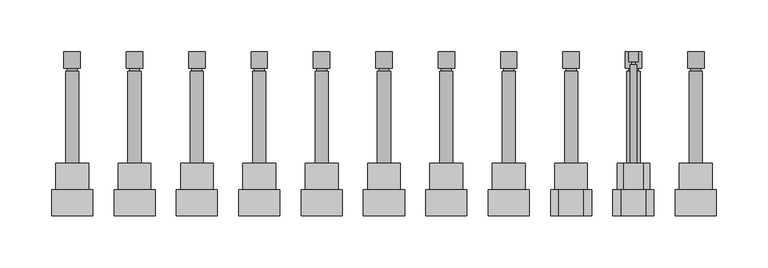
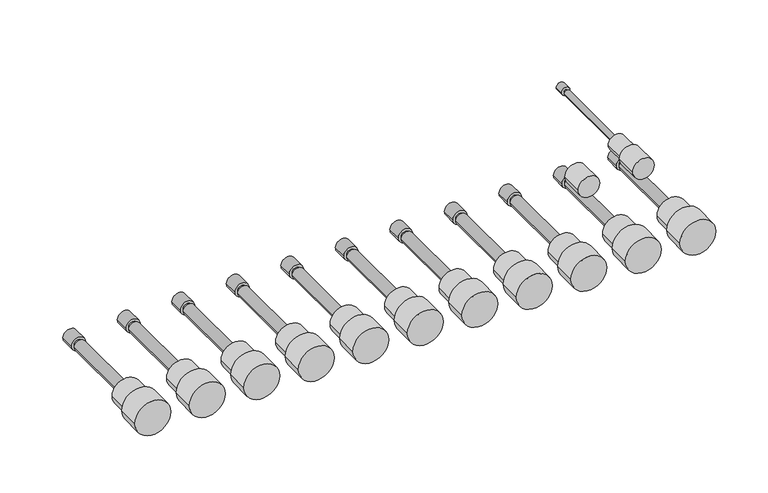
"""IFC4 building model written with IfcOpenShell, lengths in millimetres: proxy geometry."""

from ifc_helpers import new_model, si_unit, point, frame, frame_2d, origin, place, context, project, spatial, circle_curve, trimmed, segment, composite_curve, outline, extrude, source, transform, mapped, element, save
from ifc_brep_helpers import plane_surface, cylinder_surface, advanced_brep


def mechanical_equipment_c7dd7a12(model_context):
    return source(origin(), model_context, "Body", "SolidModel", [
        extrude(outline(composite_curve([segment(trimmed(circle_curve(frame_2d((120.65, 381.79375)), 19.84375), [point((120.65, 401.6375))], [point((120.65, 361.95))], False, "CARTESIAN"), True, "CONTINUOUS"), segment(trimmed(circle_curve(frame_2d((120.65, 381.79375)), 19.84375), [point((120.65, 361.95))], [point((120.65, 401.6375))], False, "CARTESIAN"), True, "CONTINUOUS")], self_intersect=False)), frame((0.0, 240.50625, 0.0), z_axis=(0.0, 1.0, 0.0), x_axis=(0.0, 0.0, 1.0)), (0.0, 0.0, 1.0), 25.4),
        advanced_brep(
        [(373.85625, 399.25625, 120.65), (389.73125, 399.25625, 120.65), (386.55625, 380.20625, 120.65), (377.03125, 380.20625, 120.65), (373.85625, 383.38125, 120.65), (389.73125, 383.38125, 120.65), (386.55625, 383.38125, 120.65), (377.03125, 383.38125, 120.65)],
        [
            (0, 1, circle_curve(frame((381.79375, 399.25625, 120.65), z_axis=(0.0, 1.0, 0.0), x_axis=(1.0, 0.0, 0.0)), 7.9375)),
            (1, 0, circle_curve(frame((381.79375, 399.25625, 120.65), z_axis=(0.0, 1.0, 0.0), x_axis=(1.0, 0.0, 0.0)), 7.9375)),
            (2, 3, circle_curve(frame((381.79375, 380.20625, 120.65), z_axis=(0.0, -1.0, 0.0), x_axis=(-1.0, 0.0, 0.0)), 4.7625)),
            (3, 2, circle_curve(frame((381.79375, 380.20625, 120.65), z_axis=(0.0, -1.0, 0.0), x_axis=(-1.0, 0.0, 0.0)), 4.7625)),
            (0, 4),
            (4, 5, circle_curve(frame((381.79375, 383.38125, 120.65), z_axis=(0.0, 1.0, 0.0), x_axis=(1.0, 0.0, 0.0)), 7.9375)),
            (5, 1),
            (5, 4, circle_curve(frame((381.79375, 383.38125, 120.65), z_axis=(0.0, 1.0, 0.0), x_axis=(1.0, 0.0, 0.0)), 7.9375)),
            (6, 7, circle_curve(frame((381.79375, 383.38125, 120.65), z_axis=(0.0, 1.0, 0.0), x_axis=(-1.0, 0.0, 0.0)), 4.7625)),
            (7, 6, circle_curve(frame((381.79375, 383.38125, 120.65), z_axis=(0.0, 1.0, 0.0), x_axis=(-1.0, 0.0, 0.0)), 4.7625)),
            (7, 3),
            (2, 6),
        ],
        [
            plane_surface(frame((381.79375, 399.25625, 120.65), z_axis=(0.0, 1.0, 0.0), x_axis=(0.0, 0.0, 1.0))),
            plane_surface(frame((381.79375, 380.20625, 120.65), z_axis=(0.0, -1.0, 0.0), x_axis=(0.0, 0.0, 1.0))),
            cylinder_surface(frame((381.79375, 399.25625, 120.65), z_axis=(0.0, 1.0, 0.0), x_axis=(1.0, 0.0, 0.0)), 7.9375),
            plane_surface(frame((381.79375, 383.38125, 120.65), z_axis=(0.0, -1.0, 0.0), x_axis=(0.0, 0.0, 1.0))),
            cylinder_surface(frame((381.79375, 380.20625, 120.65), z_axis=(0.0, 1.0, 0.0), x_axis=(-1.0, 0.0, 0.0)), 4.7625),
        ],
        [
            (0, [[1, 2]]),
            (1, [[3, 4]]),
            (2, [[-1, 5, 6, 7]]),
            (2, [[-2, -7, 8, -5]]),
            (3, [[-6, -8], [9, 10]]),
            (4, [[-10, 11, -3, 12]]),
            (4, [[-9, -12, -4, -11]]),
        ],
    ),
        extrude(outline(composite_curve([segment(trimmed(circle_curve(frame_2d((120.65, 381.79375)), 6.35), [point((120.65, 375.44375))], [point((120.65, 388.14375))], False, "CARTESIAN"), True, "CONTINUOUS"), segment(trimmed(circle_curve(frame_2d((120.65, 381.79375)), 6.35), [point((120.65, 388.14375))], [point((120.65, 375.44375))], False, "CARTESIAN"), True, "CONTINUOUS")], self_intersect=False)), frame((0.0, 291.30625, 0.0), z_axis=(0.0, 1.0, 0.0), x_axis=(0.0, 0.0, 1.0)), (0.0, 0.0, 1.0), 88.9),
        extrude(outline(composite_curve([segment(trimmed(circle_curve(frame_2d((120.65, 381.79375)), 15.875), [point((120.65, 397.66875))], [point((120.65, 365.91875))], False, "CARTESIAN"), True, "CONTINUOUS"), segment(trimmed(circle_curve(frame_2d((120.65, 381.79375)), 15.875), [point((120.65, 365.91875))], [point((120.65, 397.66875))], False, "CARTESIAN"), True, "CONTINUOUS")], self_intersect=False)), frame((0.0, 265.90625, 0.0), z_axis=(0.0, 1.0, 0.0), x_axis=(0.0, 0.0, 1.0)), (0.0, 0.0, 1.0), 25.4),
        extrude(outline(composite_curve([segment(trimmed(circle_curve(frame_2d((120.65, 321.46875)), 19.84375), [point((120.65, 341.3125))], [point((120.65, 301.625))], False, "CARTESIAN"), True, "CONTINUOUS"), segment(trimmed(circle_curve(frame_2d((120.65, 321.46875)), 19.84375), [point((120.65, 301.625))], [point((120.65, 341.3125))], False, "CARTESIAN"), True, "CONTINUOUS")], self_intersect=False)), frame((0.0, 240.50625, 0.0), z_axis=(0.0, 1.0, 0.0), x_axis=(0.0, 0.0, 1.0)), (0.0, 0.0, 1.0), 25.4),
        advanced_brep(
        [(313.53125, 399.25625, 120.65), (329.40625, 399.25625, 120.65), (326.23125, 380.20625, 120.65), (316.70625, 380.20625, 120.65), (313.53125, 383.38125, 120.65), (329.40625, 383.38125, 120.65), (326.23125, 383.38125, 120.65), (316.70625, 383.38125, 120.65)],
        [
            (0, 1, circle_curve(frame((321.46875, 399.25625, 120.65), z_axis=(0.0, 1.0, 0.0), x_axis=(1.0, 0.0, 0.0)), 7.9375)),
            (1, 0, circle_curve(frame((321.46875, 399.25625, 120.65), z_axis=(0.0, 1.0, 0.0), x_axis=(1.0, 0.0, 0.0)), 7.9375)),
            (2, 3, circle_curve(frame((321.46875, 380.20625, 120.65), z_axis=(0.0, -1.0, 0.0), x_axis=(-1.0, 0.0, 0.0)), 4.7625)),
            (3, 2, circle_curve(frame((321.46875, 380.20625, 120.65), z_axis=(0.0, -1.0, 0.0), x_axis=(-1.0, 0.0, 0.0)), 4.7625)),
            (0, 4),
            (4, 5, circle_curve(frame((321.46875, 383.38125, 120.65), z_axis=(0.0, 1.0, 0.0), x_axis=(1.0, 0.0, 0.0)), 7.9375)),
            (5, 1),
            (5, 4, circle_curve(frame((321.46875, 383.38125, 120.65), z_axis=(0.0, 1.0, 0.0), x_axis=(1.0, 0.0, 0.0)), 7.9375)),
            (6, 7, circle_curve(frame((321.46875, 383.38125, 120.65), z_axis=(0.0, 1.0, 0.0), x_axis=(-1.0, 0.0, 0.0)), 4.7625)),
            (7, 6, circle_curve(frame((321.46875, 383.38125, 120.65), z_axis=(0.0, 1.0, 0.0), x_axis=(-1.0, 0.0, 0.0)), 4.7625)),
            (7, 3),
            (2, 6),
        ],
        [
            plane_surface(frame((321.46875, 399.25625, 120.65), z_axis=(0.0, 1.0, 0.0), x_axis=(0.0, 0.0, 1.0))),
            plane_surface(frame((321.46875, 380.20625, 120.65), z_axis=(0.0, -1.0, 0.0), x_axis=(0.0, 0.0, 1.0))),
            cylinder_surface(frame((321.46875, 399.25625, 120.65), z_axis=(0.0, 1.0, 0.0), x_axis=(1.0, 0.0, 0.0)), 7.9375),
            plane_surface(frame((321.46875, 383.38125, 120.65), z_axis=(0.0, -1.0, 0.0), x_axis=(0.0, 0.0, 1.0))),
            cylinder_surface(frame((321.46875, 380.20625, 120.65), z_axis=(0.0, 1.0, 0.0), x_axis=(-1.0, 0.0, 0.0)), 4.7625),
        ],
        [
            (0, [[1, 2]]),
            (1, [[3, 4]]),
            (2, [[-1, 5, 6, 7]]),
            (2, [[-2, -7, 8, -5]]),
            (3, [[-6, -8], [9, 10]]),
            (4, [[-10, 11, -3, 12]]),
            (4, [[-9, -12, -4, -11]]),
        ],
    ),
        extrude(outline(composite_curve([segment(trimmed(circle_curve(frame_2d((120.65, 321.46875)), 6.35), [point((120.65, 315.11875))], [point((120.65, 327.81875))], False, "CARTESIAN"), True, "CONTINUOUS"), segment(trimmed(circle_curve(frame_2d((120.65, 321.46875)), 6.35), [point((120.65, 327.81875))], [point((120.65, 315.11875))], False, "CARTESIAN"), True, "CONTINUOUS")], self_intersect=False)), frame((0.0, 291.30625, 0.0), z_axis=(0.0, 1.0, 0.0), x_axis=(0.0, 0.0, 1.0)), (0.0, 0.0, 1.0), 88.9),
        extrude(outline(composite_curve([segment(trimmed(circle_curve(frame_2d((120.65, 321.46875)), 15.875), [point((120.65, 337.34375))], [point((120.65, 305.59375))], False, "CARTESIAN"), True, "CONTINUOUS"), segment(trimmed(circle_curve(frame_2d((120.65, 321.46875)), 15.875), [point((120.65, 305.59375))], [point((120.65, 337.34375))], False, "CARTESIAN"), True, "CONTINUOUS")], self_intersect=False)), frame((0.0, 265.90625, 0.0), z_axis=(0.0, 1.0, 0.0), x_axis=(0.0, 0.0, 1.0)), (0.0, 0.0, 1.0), 25.4),
        extrude(outline(composite_curve([segment(trimmed(circle_curve(frame_2d((120.65, 261.14375)), 19.84375), [point((120.65, 280.9875))], [point((120.65, 241.3))], False, "CARTESIAN"), True, "CONTINUOUS"), segment(trimmed(circle_curve(frame_2d((120.65, 261.14375)), 19.84375), [point((120.65, 241.3))], [point((120.65, 280.9875))], False, "CARTESIAN"), True, "CONTINUOUS")], self_intersect=False)), frame((0.0, 240.50625, 0.0), z_axis=(0.0, 1.0, 0.0), x_axis=(0.0, 0.0, 1.0)), (0.0, 0.0, 1.0), 25.4),
        advanced_brep(
        [(253.20625, 399.25625, 120.65), (269.08125, 399.25625, 120.65), (265.90625, 380.20625, 120.65), (256.38125, 380.20625, 120.65), (253.20625, 383.38125, 120.65), (269.08125, 383.38125, 120.65), (265.90625, 383.38125, 120.65), (256.38125, 383.38125, 120.65)],
        [
            (0, 1, circle_curve(frame((261.14375, 399.25625, 120.65), z_axis=(0.0, 1.0, 0.0), x_axis=(1.0, 0.0, 0.0)), 7.9375)),
            (1, 0, circle_curve(frame((261.14375, 399.25625, 120.65), z_axis=(0.0, 1.0, 0.0), x_axis=(1.0, 0.0, 0.0)), 7.9375)),
            (2, 3, circle_curve(frame((261.14375, 380.20625, 120.65), z_axis=(0.0, -1.0, 0.0), x_axis=(-1.0, 0.0, 0.0)), 4.7625)),
            (3, 2, circle_curve(frame((261.14375, 380.20625, 120.65), z_axis=(0.0, -1.0, 0.0), x_axis=(-1.0, 0.0, 0.0)), 4.7625)),
            (0, 4),
            (4, 5, circle_curve(frame((261.14375, 383.38125, 120.65), z_axis=(0.0, 1.0, 0.0), x_axis=(1.0, 0.0, 0.0)), 7.9375)),
            (5, 1),
            (5, 4, circle_curve(frame((261.14375, 383.38125, 120.65), z_axis=(0.0, 1.0, 0.0), x_axis=(1.0, 0.0, 0.0)), 7.9375)),
            (6, 7, circle_curve(frame((261.14375, 383.38125, 120.65), z_axis=(0.0, 1.0, 0.0), x_axis=(-1.0, 0.0, 0.0)), 4.7625)),
            (7, 6, circle_curve(frame((261.14375, 383.38125, 120.65), z_axis=(0.0, 1.0, 0.0), x_axis=(-1.0, 0.0, 0.0)), 4.7625)),
            (7, 3),
            (2, 6),
        ],
        [
            plane_surface(frame((261.14375, 399.25625, 120.65), z_axis=(0.0, 1.0, 0.0), x_axis=(0.0, 0.0, 1.0))),
            plane_surface(frame((261.14375, 380.20625, 120.65), z_axis=(0.0, -1.0, 0.0), x_axis=(0.0, 0.0, 1.0))),
            cylinder_surface(frame((261.14375, 399.25625, 120.65), z_axis=(0.0, 1.0, 0.0), x_axis=(1.0, 0.0, 0.0)), 7.9375),
            plane_surface(frame((261.14375, 383.38125, 120.65), z_axis=(0.0, -1.0, 0.0), x_axis=(0.0, 0.0, 1.0))),
            cylinder_surface(frame((261.14375, 380.20625, 120.65), z_axis=(0.0, 1.0, 0.0), x_axis=(-1.0, 0.0, 0.0)), 4.7625),
        ],
        [
            (0, [[1, 2]]),
            (1, [[3, 4]]),
            (2, [[-1, 5, 6, 7]]),
            (2, [[-2, -7, 8, -5]]),
            (3, [[-6, -8], [9, 10]]),
            (4, [[-10, 11, -3, 12]]),
            (4, [[-9, -12, -4, -11]]),
        ],
    ),
        extrude(outline(composite_curve([segment(trimmed(circle_curve(frame_2d((120.65, 261.14375)), 6.35), [point((120.65, 254.79375))], [point((120.65, 267.49375))], False, "CARTESIAN"), True, "CONTINUOUS"), segment(trimmed(circle_curve(frame_2d((120.65, 261.14375)), 6.35), [point((120.65, 267.49375))], [point((120.65, 254.79375))], False, "CARTESIAN"), True, "CONTINUOUS")], self_intersect=False)), frame((0.0, 291.30625, 0.0), z_axis=(0.0, 1.0, 0.0), x_axis=(0.0, 0.0, 1.0)), (0.0, 0.0, 1.0), 88.9),
        extrude(outline(composite_curve([segment(trimmed(circle_curve(frame_2d((120.65, 261.14375)), 15.875), [point((120.65, 277.01875))], [point((120.65, 245.26875))], False, "CARTESIAN"), True, "CONTINUOUS"), segment(trimmed(circle_curve(frame_2d((120.65, 261.14375)), 15.875), [point((120.65, 245.26875))], [point((120.65, 277.01875))], False, "CARTESIAN"), True, "CONTINUOUS")], self_intersect=False)), frame((0.0, 265.90625, 0.0), z_axis=(0.0, 1.0, 0.0), x_axis=(0.0, 0.0, 1.0)), (0.0, 0.0, 1.0), 25.4),
        extrude(outline(composite_curve([segment(trimmed(circle_curve(frame_2d((120.65, 200.81875)), 19.84375), [point((120.65, 220.6625))], [point((120.65, 180.975))], False, "CARTESIAN"), True, "CONTINUOUS"), segment(trimmed(circle_curve(frame_2d((120.65, 200.81875)), 19.84375), [point((120.65, 180.975))], [point((120.65, 220.6625))], False, "CARTESIAN"), True, "CONTINUOUS")], self_intersect=False)), frame((0.0, 240.50625, 0.0), z_axis=(0.0, 1.0, 0.0), x_axis=(0.0, 0.0, 1.0)), (0.0, 0.0, 1.0), 25.4),
        advanced_brep(
        [(192.88125, 399.25625, 120.65), (208.75625, 399.25625, 120.65), (205.58125, 380.20625, 120.65), (196.05625, 380.20625, 120.65), (192.88125, 383.38125, 120.65), (208.75625, 383.38125, 120.65), (205.58125, 383.38125, 120.65), (196.05625, 383.38125, 120.65)],
        [
            (0, 1, circle_curve(frame((200.81875, 399.25625, 120.65), z_axis=(0.0, 1.0, 0.0), x_axis=(1.0, 0.0, 0.0)), 7.9375)),
            (1, 0, circle_curve(frame((200.81875, 399.25625, 120.65), z_axis=(0.0, 1.0, 0.0), x_axis=(1.0, 0.0, 0.0)), 7.9375)),
            (2, 3, circle_curve(frame((200.81875, 380.20625, 120.65), z_axis=(0.0, -1.0, 0.0), x_axis=(-1.0, 0.0, 0.0)), 4.7625)),
            (3, 2, circle_curve(frame((200.81875, 380.20625, 120.65), z_axis=(0.0, -1.0, 0.0), x_axis=(-1.0, 0.0, 0.0)), 4.7625)),
            (0, 4),
            (4, 5, circle_curve(frame((200.81875, 383.38125, 120.65), z_axis=(0.0, 1.0, 0.0), x_axis=(1.0, 0.0, 0.0)), 7.9375)),
            (5, 1),
            (5, 4, circle_curve(frame((200.81875, 383.38125, 120.65), z_axis=(0.0, 1.0, 0.0), x_axis=(1.0, 0.0, 0.0)), 7.9375)),
            (6, 7, circle_curve(frame((200.81875, 383.38125, 120.65), z_axis=(0.0, 1.0, 0.0), x_axis=(-1.0, 0.0, 0.0)), 4.7625)),
            (7, 6, circle_curve(frame((200.81875, 383.38125, 120.65), z_axis=(0.0, 1.0, 0.0), x_axis=(-1.0, 0.0, 0.0)), 4.7625)),
            (7, 3),
            (2, 6),
        ],
        [
            plane_surface(frame((200.81875, 399.25625, 120.65), z_axis=(0.0, 1.0, 0.0), x_axis=(0.0, 0.0, 1.0))),
            plane_surface(frame((200.81875, 380.20625, 120.65), z_axis=(0.0, -1.0, 0.0), x_axis=(0.0, 0.0, 1.0))),
            cylinder_surface(frame((200.81875, 399.25625, 120.65), z_axis=(0.0, 1.0, 0.0), x_axis=(1.0, 0.0, 0.0)), 7.9375),
            plane_surface(frame((200.81875, 383.38125, 120.65), z_axis=(0.0, -1.0, 0.0), x_axis=(0.0, 0.0, 1.0))),
            cylinder_surface(frame((200.81875, 380.20625, 120.65), z_axis=(0.0, 1.0, 0.0), x_axis=(-1.0, 0.0, 0.0)), 4.7625),
        ],
        [
            (0, [[1, 2]]),
            (1, [[3, 4]]),
            (2, [[-1, 5, 6, 7]]),
            (2, [[-2, -7, 8, -5]]),
            (3, [[-6, -8], [9, 10]]),
            (4, [[-10, 11, -3, 12]]),
            (4, [[-9, -12, -4, -11]]),
        ],
    ),
        extrude(outline(composite_curve([segment(trimmed(circle_curve(frame_2d((120.65, 200.81875)), 6.35), [point((120.65, 194.46875))], [point((120.65, 207.16875))], False, "CARTESIAN"), True, "CONTINUOUS"), segment(trimmed(circle_curve(frame_2d((120.65, 200.81875)), 6.35), [point((120.65, 207.16875))], [point((120.65, 194.46875))], False, "CARTESIAN"), True, "CONTINUOUS")], self_intersect=False)), frame((0.0, 291.30625, 0.0), z_axis=(0.0, 1.0, 0.0), x_axis=(0.0, 0.0, 1.0)), (0.0, 0.0, 1.0), 88.9),
        extrude(outline(composite_curve([segment(trimmed(circle_curve(frame_2d((120.65, 200.81875)), 15.875), [point((120.65, 216.69375))], [point((120.65, 184.94375))], False, "CARTESIAN"), True, "CONTINUOUS"), segment(trimmed(circle_curve(frame_2d((120.65, 200.81875)), 15.875), [point((120.65, 184.94375))], [point((120.65, 216.69375))], False, "CARTESIAN"), True, "CONTINUOUS")], self_intersect=False)), frame((0.0, 265.90625, 0.0), z_axis=(0.0, 1.0, 0.0), x_axis=(0.0, 0.0, 1.0)), (0.0, 0.0, 1.0), 25.4),
        extrude(outline(composite_curve([segment(trimmed(circle_curve(frame_2d((120.65, 140.49375)), 19.84375), [point((120.65, 160.3375))], [point((120.65, 120.65))], False, "CARTESIAN"), True, "CONTINUOUS"), segment(trimmed(circle_curve(frame_2d((120.65, 140.49375)), 19.84375), [point((120.65, 120.65))], [point((120.65, 160.3375))], False, "CARTESIAN"), True, "CONTINUOUS")], self_intersect=False)), frame((0.0, 240.50625, 0.0), z_axis=(0.0, 1.0, 0.0), x_axis=(0.0, 0.0, 1.0)), (0.0, 0.0, 1.0), 25.4),
        advanced_brep(
        [(132.55625, 399.25625, 120.65), (148.43125, 399.25625, 120.65), (145.25625, 380.20625, 120.65), (135.73125, 380.20625, 120.65), (132.55625, 383.38125, 120.65), (148.43125, 383.38125, 120.65), (145.25625, 383.38125, 120.65), (135.73125, 383.38125, 120.65)],
        [
            (0, 1, circle_curve(frame((140.49375, 399.25625, 120.65), z_axis=(0.0, 1.0, 0.0), x_axis=(1.0, 0.0, 0.0)), 7.9375)),
            (1, 0, circle_curve(frame((140.49375, 399.25625, 120.65), z_axis=(0.0, 1.0, 0.0), x_axis=(1.0, 0.0, 0.0)), 7.9375)),
            (2, 3, circle_curve(frame((140.49375, 380.20625, 120.65), z_axis=(0.0, -1.0, 0.0), x_axis=(-1.0, 0.0, 0.0)), 4.7625)),
            (3, 2, circle_curve(frame((140.49375, 380.20625, 120.65), z_axis=(0.0, -1.0, 0.0), x_axis=(-1.0, 0.0, 0.0)), 4.7625)),
            (0, 4),
            (4, 5, circle_curve(frame((140.49375, 383.38125, 120.65), z_axis=(0.0, 1.0, 0.0), x_axis=(1.0, 0.0, 0.0)), 7.9375)),
            (5, 1),
            (5, 4, circle_curve(frame((140.49375, 383.38125, 120.65), z_axis=(0.0, 1.0, 0.0), x_axis=(1.0, 0.0, 0.0)), 7.9375)),
            (6, 7, circle_curve(frame((140.49375, 383.38125, 120.65), z_axis=(0.0, 1.0, 0.0), x_axis=(-1.0, 0.0, 0.0)), 4.7625)),
            (7, 6, circle_curve(frame((140.49375, 383.38125, 120.65), z_axis=(0.0, 1.0, 0.0), x_axis=(-1.0, 0.0, 0.0)), 4.7625)),
            (7, 3),
            (2, 6),
        ],
        [
            plane_surface(frame((140.49375, 399.25625, 120.65), z_axis=(0.0, 1.0, 0.0), x_axis=(0.0, 0.0, 1.0))),
            plane_surface(frame((140.49375, 380.20625, 120.65), z_axis=(0.0, -1.0, 0.0), x_axis=(0.0, 0.0, 1.0))),
            cylinder_surface(frame((140.49375, 399.25625, 120.65), z_axis=(0.0, 1.0, 0.0), x_axis=(1.0, 0.0, 0.0)), 7.9375),
            plane_surface(frame((140.49375, 383.38125, 120.65), z_axis=(0.0, -1.0, 0.0), x_axis=(0.0, 0.0, 1.0))),
            cylinder_surface(frame((140.49375, 380.20625, 120.65), z_axis=(0.0, 1.0, 0.0), x_axis=(-1.0, 0.0, 0.0)), 4.7625),
        ],
        [
            (0, [[1, 2]]),
            (1, [[3, 4]]),
            (2, [[-1, 5, 6, 7]]),
            (2, [[-2, -7, 8, -5]]),
            (3, [[-6, -8], [9, 10]]),
            (4, [[-10, 11, -3, 12]]),
            (4, [[-9, -12, -4, -11]]),
        ],
    ),
        extrude(outline(composite_curve([segment(trimmed(circle_curve(frame_2d((120.65, 140.49375)), 6.35), [point((120.65, 134.14375))], [point((120.65, 146.84375))], False, "CARTESIAN"), True, "CONTINUOUS"), segment(trimmed(circle_curve(frame_2d((120.65, 140.49375)), 6.35), [point((120.65, 146.84375))], [point((120.65, 134.14375))], False, "CARTESIAN"), True, "CONTINUOUS")], self_intersect=False)), frame((0.0, 291.30625, 0.0), z_axis=(0.0, 1.0, 0.0), x_axis=(0.0, 0.0, 1.0)), (0.0, 0.0, 1.0), 88.9),
        extrude(outline(composite_curve([segment(trimmed(circle_curve(frame_2d((120.65, 140.49375)), 15.875), [point((120.65, 156.36875))], [point((120.65, 124.61875))], False, "CARTESIAN"), True, "CONTINUOUS"), segment(trimmed(circle_curve(frame_2d((120.65, 140.49375)), 15.875), [point((120.65, 124.61875))], [point((120.65, 156.36875))], False, "CARTESIAN"), True, "CONTINUOUS")], self_intersect=False)), frame((0.0, 265.90625, 0.0), z_axis=(0.0, 1.0, 0.0), x_axis=(0.0, 0.0, 1.0)), (0.0, 0.0, 1.0), 25.4),
        extrude(outline(composite_curve([segment(trimmed(circle_curve(frame_2d((120.65, 80.16875)), 19.84375), [point((120.65, 100.0125))], [point((120.65, 60.325))], False, "CARTESIAN"), True, "CONTINUOUS"), segment(trimmed(circle_curve(frame_2d((120.65, 80.16875)), 19.84375), [point((120.65, 60.325))], [point((120.65, 100.0125))], False, "CARTESIAN"), True, "CONTINUOUS")], self_intersect=False)), frame((0.0, 240.50625, 0.0), z_axis=(0.0, 1.0, 0.0), x_axis=(0.0, 0.0, 1.0)), (0.0, 0.0, 1.0), 25.4),
        advanced_brep(
        [(72.23125, 399.25625, 120.65), (88.10625, 399.25625, 120.65), (84.93125, 380.20625, 120.65), (75.40625, 380.20625, 120.65), (72.23125, 383.38125, 120.65), (88.10625, 383.38125, 120.65), (84.93125, 383.38125, 120.65), (75.40625, 383.38125, 120.65)],
        [
            (0, 1, circle_curve(frame((80.16875, 399.25625, 120.65), z_axis=(0.0, 1.0, 0.0), x_axis=(1.0, 0.0, 0.0)), 7.9375)),
            (1, 0, circle_curve(frame((80.16875, 399.25625, 120.65), z_axis=(0.0, 1.0, 0.0), x_axis=(1.0, 0.0, 0.0)), 7.9375)),
            (2, 3, circle_curve(frame((80.16875, 380.20625, 120.65), z_axis=(0.0, -1.0, 0.0), x_axis=(-1.0, 0.0, 0.0)), 4.7625)),
            (3, 2, circle_curve(frame((80.16875, 380.20625, 120.65), z_axis=(0.0, -1.0, 0.0), x_axis=(-1.0, 0.0, 0.0)), 4.7625)),
            (0, 4),
            (4, 5, circle_curve(frame((80.16875, 383.38125, 120.65), z_axis=(0.0, 1.0, 0.0), x_axis=(1.0, 0.0, 0.0)), 7.9375)),
            (5, 1),
            (5, 4, circle_curve(frame((80.16875, 383.38125, 120.65), z_axis=(0.0, 1.0, 0.0), x_axis=(1.0, 0.0, 0.0)), 7.9375)),
            (6, 7, circle_curve(frame((80.16875, 383.38125, 120.65), z_axis=(0.0, 1.0, 0.0), x_axis=(-1.0, 0.0, 0.0)), 4.7625)),
            (7, 6, circle_curve(frame((80.16875, 383.38125, 120.65), z_axis=(0.0, 1.0, 0.0), x_axis=(-1.0, 0.0, 0.0)), 4.7625)),
            (7, 3),
            (2, 6),
        ],
        [
            plane_surface(frame((80.16875, 399.25625, 120.65), z_axis=(0.0, 1.0, 0.0), x_axis=(0.0, 0.0, 1.0))),
            plane_surface(frame((80.16875, 380.20625, 120.65), z_axis=(0.0, -1.0, 0.0), x_axis=(0.0, 0.0, 1.0))),
            cylinder_surface(frame((80.16875, 399.25625, 120.65), z_axis=(0.0, 1.0, 0.0), x_axis=(1.0, 0.0, 0.0)), 7.9375),
            plane_surface(frame((80.16875, 383.38125, 120.65), z_axis=(0.0, -1.0, 0.0), x_axis=(0.0, 0.0, 1.0))),
            cylinder_surface(frame((80.16875, 380.20625, 120.65), z_axis=(0.0, 1.0, 0.0), x_axis=(-1.0, 0.0, 0.0)), 4.7625),
        ],
        [
            (0, [[1, 2]]),
            (1, [[3, 4]]),
            (2, [[-1, 5, 6, 7]]),
            (2, [[-2, -7, 8, -5]]),
            (3, [[-6, -8], [9, 10]]),
            (4, [[-10, 11, -3, 12]]),
            (4, [[-9, -12, -4, -11]]),
        ],
    ),
        extrude(outline(composite_curve([segment(trimmed(circle_curve(frame_2d((120.65, 80.16875)), 6.35), [point((120.65, 73.81875))], [point((120.65, 86.51875))], False, "CARTESIAN"), True, "CONTINUOUS"), segment(trimmed(circle_curve(frame_2d((120.65, 80.16875)), 6.35), [point((120.65, 86.51875))], [point((120.65, 73.81875))], False, "CARTESIAN"), True, "CONTINUOUS")], self_intersect=False)), frame((0.0, 291.30625, 0.0), z_axis=(0.0, 1.0, 0.0), x_axis=(0.0, 0.0, 1.0)), (0.0, 0.0, 1.0), 88.9),
        extrude(outline(composite_curve([segment(trimmed(circle_curve(frame_2d((120.65, 80.16875)), 15.875), [point((120.65, 96.04375))], [point((120.65, 64.29375))], False, "CARTESIAN"), True, "CONTINUOUS"), segment(trimmed(circle_curve(frame_2d((120.65, 80.16875)), 15.875), [point((120.65, 64.29375))], [point((120.65, 96.04375))], False, "CARTESIAN"), True, "CONTINUOUS")], self_intersect=False)), frame((0.0, 265.90625, 0.0), z_axis=(0.0, 1.0, 0.0), x_axis=(0.0, 0.0, 1.0)), (0.0, 0.0, 1.0), 25.4),
        extrude(outline(composite_curve([segment(trimmed(circle_curve(frame_2d((120.65, 19.84375)), 19.84375), [point((120.65, 39.6875))], [point((120.65, 0.0))], False, "CARTESIAN"), True, "CONTINUOUS"), segment(trimmed(circle_curve(frame_2d((120.65, 19.84375)), 19.84375), [point((120.65, 0.0))], [point((120.65, 39.6875))], False, "CARTESIAN"), True, "CONTINUOUS")], self_intersect=False)), frame((0.0, 240.50625, 0.0), z_axis=(0.0, 1.0, 0.0), x_axis=(0.0, 0.0, 1.0)), (0.0, 0.0, 1.0), 25.4),
        advanced_brep(
        [(11.90625, 399.25625, 120.65), (27.78125, 399.25625, 120.65), (24.60625, 380.20625, 120.65), (15.08125, 380.20625, 120.65), (11.90625, 383.38125, 120.65), (27.78125, 383.38125, 120.65), (24.60625, 383.38125, 120.65), (15.08125, 383.38125, 120.65)],
        [
            (0, 1, circle_curve(frame((19.84375, 399.25625, 120.65), z_axis=(0.0, 1.0, 0.0), x_axis=(1.0, 0.0, 0.0)), 7.9375)),
            (1, 0, circle_curve(frame((19.84375, 399.25625, 120.65), z_axis=(0.0, 1.0, 0.0), x_axis=(1.0, 0.0, 0.0)), 7.9375)),
            (2, 3, circle_curve(frame((19.84375, 380.20625, 120.65), z_axis=(0.0, -1.0, 0.0), x_axis=(-1.0, 0.0, 0.0)), 4.7625)),
            (3, 2, circle_curve(frame((19.84375, 380.20625, 120.65), z_axis=(0.0, -1.0, 0.0), x_axis=(-1.0, 0.0, 0.0)), 4.7625)),
            (0, 4),
            (4, 5, circle_curve(frame((19.84375, 383.38125, 120.65), z_axis=(0.0, 1.0, 0.0), x_axis=(1.0, 0.0, 0.0)), 7.9375)),
            (5, 1),
            (5, 4, circle_curve(frame((19.84375, 383.38125, 120.65), z_axis=(0.0, 1.0, 0.0), x_axis=(1.0, 0.0, 0.0)), 7.9375)),
            (6, 7, circle_curve(frame((19.84375, 383.38125, 120.65), z_axis=(0.0, 1.0, 0.0), x_axis=(-1.0, 0.0, 0.0)), 4.7625)),
            (7, 6, circle_curve(frame((19.84375, 383.38125, 120.65), z_axis=(0.0, 1.0, 0.0), x_axis=(-1.0, 0.0, 0.0)), 4.7625)),
            (7, 3),
            (2, 6),
        ],
        [
            plane_surface(frame((19.84375, 399.25625, 120.65), z_axis=(0.0, 1.0, 0.0), x_axis=(0.0, 0.0, 1.0))),
            plane_surface(frame((19.84375, 380.20625, 120.65), z_axis=(0.0, -1.0, 0.0), x_axis=(0.0, 0.0, 1.0))),
            cylinder_surface(frame((19.84375, 399.25625, 120.65), z_axis=(0.0, 1.0, 0.0), x_axis=(1.0, 0.0, 0.0)), 7.9375),
            plane_surface(frame((19.84375, 383.38125, 120.65), z_axis=(0.0, -1.0, 0.0), x_axis=(0.0, 0.0, 1.0))),
            cylinder_surface(frame((19.84375, 380.20625, 120.65), z_axis=(0.0, 1.0, 0.0), x_axis=(-1.0, 0.0, 0.0)), 4.7625),
        ],
        [
            (0, [[1, 2]]),
            (1, [[3, 4]]),
            (2, [[-1, 5, 6, 7]]),
            (2, [[-2, -7, 8, -5]]),
            (3, [[-6, -8], [9, 10]]),
            (4, [[-10, 11, -3, 12]]),
            (4, [[-9, -12, -4, -11]]),
        ],
    ),
        extrude(outline(composite_curve([segment(trimmed(circle_curve(frame_2d((120.65, 19.84375)), 6.35), [point((120.65, 13.49375))], [point((120.65, 26.19375))], False, "CARTESIAN"), True, "CONTINUOUS"), segment(trimmed(circle_curve(frame_2d((120.65, 19.84375)), 6.35), [point((120.65, 26.19375))], [point((120.65, 13.49375))], False, "CARTESIAN"), True, "CONTINUOUS")], self_intersect=False)), frame((0.0, 291.30625, 0.0), z_axis=(0.0, 1.0, 0.0), x_axis=(0.0, 0.0, 1.0)), (0.0, 0.0, 1.0), 88.9),
        extrude(outline(composite_curve([segment(trimmed(circle_curve(frame_2d((120.65, 19.84375)), 15.875), [point((120.65, 35.71875))], [point((120.65, 3.96875))], False, "CARTESIAN"), True, "CONTINUOUS"), segment(trimmed(circle_curve(frame_2d((120.65, 19.84375)), 15.875), [point((120.65, 3.96875))], [point((120.65, 35.71875))], False, "CARTESIAN"), True, "CONTINUOUS")], self_intersect=False)), frame((0.0, 265.90625, 0.0), z_axis=(0.0, 1.0, 0.0), x_axis=(0.0, 0.0, 1.0)), (0.0, 0.0, 1.0), 25.4),
        extrude(outline(composite_curve([segment(trimmed(circle_curve(frame_2d((120.65, -40.48125)), 19.84375), [point((120.65, -20.6375))], [point((120.65, -60.325))], False, "CARTESIAN"), True, "CONTINUOUS"), segment(trimmed(circle_curve(frame_2d((120.65, -40.48125)), 19.84375), [point((120.65, -60.325))], [point((120.65, -20.6375))], False, "CARTESIAN"), True, "CONTINUOUS")], self_intersect=False)), frame((0.0, 240.50625, 0.0), z_axis=(0.0, 1.0, 0.0), x_axis=(0.0, 0.0, 1.0)), (0.0, 0.0, 1.0), 25.4),
        advanced_brep(
        [(-48.41875, 399.25625, 120.65), (-32.54375, 399.25625, 120.65), (-35.71875, 380.20625, 120.65), (-45.24375, 380.20625, 120.65), (-48.41875, 383.38125, 120.65), (-32.54375, 383.38125, 120.65), (-35.71875, 383.38125, 120.65), (-45.24375, 383.38125, 120.65)],
        [
            (0, 1, circle_curve(frame((-40.48125, 399.25625, 120.65), z_axis=(0.0, 1.0, 0.0), x_axis=(1.0, 0.0, 0.0)), 7.9375)),
            (1, 0, circle_curve(frame((-40.48125, 399.25625, 120.65), z_axis=(0.0, 1.0, 0.0), x_axis=(1.0, 0.0, 0.0)), 7.9375)),
            (2, 3, circle_curve(frame((-40.48125, 380.20625, 120.65), z_axis=(0.0, -1.0, 0.0), x_axis=(-1.0, 0.0, 0.0)), 4.7625)),
            (3, 2, circle_curve(frame((-40.48125, 380.20625, 120.65), z_axis=(0.0, -1.0, 0.0), x_axis=(-1.0, 0.0, 0.0)), 4.7625)),
            (0, 4),
            (4, 5, circle_curve(frame((-40.48125, 383.38125, 120.65), z_axis=(0.0, 1.0, 0.0), x_axis=(1.0, 0.0, 0.0)), 7.9375)),
            (5, 1),
            (5, 4, circle_curve(frame((-40.48125, 383.38125, 120.65), z_axis=(0.0, 1.0, 0.0), x_axis=(1.0, 0.0, 0.0)), 7.9375)),
            (6, 7, circle_curve(frame((-40.48125, 383.38125, 120.65), z_axis=(0.0, 1.0, 0.0), x_axis=(-1.0, 0.0, 0.0)), 4.7625)),
            (7, 6, circle_curve(frame((-40.48125, 383.38125, 120.65), z_axis=(0.0, 1.0, 0.0), x_axis=(-1.0, 0.0, 0.0)), 4.7625)),
            (7, 3),
            (2, 6),
        ],
        [
            plane_surface(frame((-40.48125, 399.25625, 120.65), z_axis=(0.0, 1.0, 0.0), x_axis=(0.0, 0.0, 1.0))),
            plane_surface(frame((-40.48125, 380.20625, 120.65), z_axis=(0.0, -1.0, 0.0), x_axis=(0.0, 0.0, 1.0))),
            cylinder_surface(frame((-40.48125, 399.25625, 120.65), z_axis=(0.0, 1.0, 0.0), x_axis=(1.0, 0.0, 0.0)), 7.9375),
            plane_surface(frame((-40.48125, 383.38125, 120.65), z_axis=(0.0, -1.0, 0.0), x_axis=(0.0, 0.0, 1.0))),
            cylinder_surface(frame((-40.48125, 380.20625, 120.65), z_axis=(0.0, 1.0, 0.0), x_axis=(-1.0, 0.0, 0.0)), 4.7625),
        ],
        [
            (0, [[1, 2]]),
            (1, [[3, 4]]),
            (2, [[-1, 5, 6, 7]]),
            (2, [[-2, -7, 8, -5]]),
            (3, [[-6, -8], [9, 10]]),
            (4, [[-10, 11, -3, 12]]),
            (4, [[-9, -12, -4, -11]]),
        ],
    ),
        extrude(outline(composite_curve([segment(trimmed(circle_curve(frame_2d((120.65, -40.48125)), 6.35), [point((120.65, -46.83125))], [point((120.65, -34.13125))], False, "CARTESIAN"), True, "CONTINUOUS"), segment(trimmed(circle_curve(frame_2d((120.65, -40.48125)), 6.35), [point((120.65, -34.13125))], [point((120.65, -46.83125))], False, "CARTESIAN"), True, "CONTINUOUS")], self_intersect=False)), frame((0.0, 291.30625, 0.0), z_axis=(0.0, 1.0, 0.0), x_axis=(0.0, 0.0, 1.0)), (0.0, 0.0, 1.0), 88.9),
        extrude(outline(composite_curve([segment(trimmed(circle_curve(frame_2d((120.65, -40.48125)), 15.875), [point((120.65, -24.60625))], [point((120.65, -56.35625))], False, "CARTESIAN"), True, "CONTINUOUS"), segment(trimmed(circle_curve(frame_2d((120.65, -40.48125)), 15.875), [point((120.65, -56.35625))], [point((120.65, -24.60625))], False, "CARTESIAN"), True, "CONTINUOUS")], self_intersect=False)), frame((0.0, 265.90625, 0.0), z_axis=(0.0, 1.0, 0.0), x_axis=(0.0, 0.0, 1.0)), (0.0, 0.0, 1.0), 25.4),
        extrude(outline(composite_curve([segment(trimmed(circle_curve(frame_2d((120.65, -100.80625)), 19.84375), [point((120.65, -80.9625))], [point((120.65, -120.65))], False, "CARTESIAN"), True, "CONTINUOUS"), segment(trimmed(circle_curve(frame_2d((120.65, -100.80625)), 19.84375), [point((120.65, -120.65))], [point((120.65, -80.9625))], False, "CARTESIAN"), True, "CONTINUOUS")], self_intersect=False)), frame((0.0, 240.50625, 0.0), z_axis=(0.0, 1.0, 0.0), x_axis=(0.0, 0.0, 1.0)), (0.0, 0.0, 1.0), 25.4),
        advanced_brep(
        [(-108.74375, 399.25625, 120.65), (-92.86875, 399.25625, 120.65), (-96.04375, 380.20625, 120.65), (-105.56875, 380.20625, 120.65), (-108.74375, 383.38125, 120.65), (-92.86875, 383.38125, 120.65), (-96.04375, 383.38125, 120.65), (-105.56875, 383.38125, 120.65)],
        [
            (0, 1, circle_curve(frame((-100.80625, 399.25625, 120.65), z_axis=(0.0, 1.0, 0.0), x_axis=(1.0, 0.0, 0.0)), 7.9375)),
            (1, 0, circle_curve(frame((-100.80625, 399.25625, 120.65), z_axis=(0.0, 1.0, 0.0), x_axis=(1.0, 0.0, 0.0)), 7.9375)),
            (2, 3, circle_curve(frame((-100.80625, 380.20625, 120.65), z_axis=(0.0, -1.0, 0.0), x_axis=(-1.0, 0.0, 0.0)), 4.7625)),
            (3, 2, circle_curve(frame((-100.80625, 380.20625, 120.65), z_axis=(0.0, -1.0, 0.0), x_axis=(-1.0, 0.0, 0.0)), 4.7625)),
            (0, 4),
            (4, 5, circle_curve(frame((-100.80625, 383.38125, 120.65), z_axis=(0.0, 1.0, 0.0), x_axis=(1.0, 0.0, 0.0)), 7.9375)),
            (5, 1),
            (5, 4, circle_curve(frame((-100.80625, 383.38125, 120.65), z_axis=(0.0, 1.0, 0.0), x_axis=(1.0, 0.0, 0.0)), 7.9375)),
            (6, 7, circle_curve(frame((-100.80625, 383.38125, 120.65), z_axis=(0.0, 1.0, 0.0), x_axis=(-1.0, 0.0, 0.0)), 4.7625)),
            (7, 6, circle_curve(frame((-100.80625, 383.38125, 120.65), z_axis=(0.0, 1.0, 0.0), x_axis=(-1.0, 0.0, 0.0)), 4.7625)),
            (7, 3),
            (2, 6),
        ],
        [
            plane_surface(frame((-100.80625, 399.25625, 120.65), z_axis=(0.0, 1.0, 0.0), x_axis=(0.0, 0.0, 1.0))),
            plane_surface(frame((-100.80625, 380.20625, 120.65), z_axis=(0.0, -1.0, 0.0), x_axis=(0.0, 0.0, 1.0))),
            cylinder_surface(frame((-100.80625, 399.25625, 120.65), z_axis=(0.0, 1.0, 0.0), x_axis=(1.0, 0.0, 0.0)), 7.9375),
            plane_surface(frame((-100.80625, 383.38125, 120.65), z_axis=(0.0, -1.0, 0.0), x_axis=(0.0, 0.0, 1.0))),
            cylinder_surface(frame((-100.80625, 380.20625, 120.65), z_axis=(0.0, 1.0, 0.0), x_axis=(-1.0, 0.0, 0.0)), 4.7625),
        ],
        [
            (0, [[1, 2]]),
            (1, [[3, 4]]),
            (2, [[-1, 5, 6, 7]]),
            (2, [[-2, -7, 8, -5]]),
            (3, [[-6, -8], [9, 10]]),
            (4, [[-10, 11, -3, 12]]),
            (4, [[-9, -12, -4, -11]]),
        ],
    ),
        extrude(outline(composite_curve([segment(trimmed(circle_curve(frame_2d((120.65, -100.80625)), 6.35), [point((120.65, -107.15625))], [point((120.65, -94.45625))], False, "CARTESIAN"), True, "CONTINUOUS"), segment(trimmed(circle_curve(frame_2d((120.65, -100.80625)), 6.35), [point((120.65, -94.45625))], [point((120.65, -107.15625))], False, "CARTESIAN"), True, "CONTINUOUS")], self_intersect=False)), frame((0.0, 291.30625, 0.0), z_axis=(0.0, 1.0, 0.0), x_axis=(0.0, 0.0, 1.0)), (0.0, 0.0, 1.0), 88.9),
        extrude(outline(composite_curve([segment(trimmed(circle_curve(frame_2d((120.65, -100.80625)), 15.875), [point((120.65, -84.93125))], [point((120.65, -116.68125))], False, "CARTESIAN"), True, "CONTINUOUS"), segment(trimmed(circle_curve(frame_2d((120.65, -100.80625)), 15.875), [point((120.65, -116.68125))], [point((120.65, -84.93125))], False, "CARTESIAN"), True, "CONTINUOUS")], self_intersect=False)), frame((0.0, 265.90625, 0.0), z_axis=(0.0, 1.0, 0.0), x_axis=(0.0, 0.0, 1.0)), (0.0, 0.0, 1.0), 25.4),
        extrude(outline(composite_curve([segment(trimmed(circle_curve(frame_2d((120.65, -161.13125)), 19.84375), [point((120.65, -141.2875))], [point((120.65, -180.975))], False, "CARTESIAN"), True, "CONTINUOUS"), segment(trimmed(circle_curve(frame_2d((120.65, -161.13125)), 19.84375), [point((120.65, -180.975))], [point((120.65, -141.2875))], False, "CARTESIAN"), True, "CONTINUOUS")], self_intersect=False)), frame((0.0, 240.50625, 0.0), z_axis=(0.0, 1.0, 0.0), x_axis=(0.0, 0.0, 1.0)), (0.0, 0.0, 1.0), 25.4),
        advanced_brep(
        [(-169.06875, 399.25625, 120.65), (-153.19375, 399.25625, 120.65), (-156.36875, 380.20625, 120.65), (-165.89375, 380.20625, 120.65), (-169.06875, 383.38125, 120.65), (-153.19375, 383.38125, 120.65), (-156.36875, 383.38125, 120.65), (-165.89375, 383.38125, 120.65)],
        [
            (0, 1, circle_curve(frame((-161.13125, 399.25625, 120.65), z_axis=(0.0, 1.0, 0.0), x_axis=(1.0, 0.0, 0.0)), 7.9375)),
            (1, 0, circle_curve(frame((-161.13125, 399.25625, 120.65), z_axis=(0.0, 1.0, 0.0), x_axis=(1.0, 0.0, 0.0)), 7.9375)),
            (2, 3, circle_curve(frame((-161.13125, 380.20625, 120.65), z_axis=(0.0, -1.0, 0.0), x_axis=(-1.0, 0.0, 0.0)), 4.7625)),
            (3, 2, circle_curve(frame((-161.13125, 380.20625, 120.65), z_axis=(0.0, -1.0, 0.0), x_axis=(-1.0, 0.0, 0.0)), 4.7625)),
            (0, 4),
            (4, 5, circle_curve(frame((-161.13125, 383.38125, 120.65), z_axis=(0.0, 1.0, 0.0), x_axis=(1.0, 0.0, 0.0)), 7.9375)),
            (5, 1),
            (5, 4, circle_curve(frame((-161.13125, 383.38125, 120.65), z_axis=(0.0, 1.0, 0.0), x_axis=(1.0, 0.0, 0.0)), 7.9375)),
            (6, 7, circle_curve(frame((-161.13125, 383.38125, 120.65), z_axis=(0.0, 1.0, 0.0), x_axis=(-1.0, 0.0, 0.0)), 4.7625)),
            (7, 6, circle_curve(frame((-161.13125, 383.38125, 120.65), z_axis=(0.0, 1.0, 0.0), x_axis=(-1.0, 0.0, 0.0)), 4.7625)),
            (7, 3),
            (2, 6),
        ],
        [
            plane_surface(frame((-161.13125, 399.25625, 120.65), z_axis=(0.0, 1.0, 0.0), x_axis=(0.0, 0.0, 1.0))),
            plane_surface(frame((-161.13125, 380.20625, 120.65), z_axis=(0.0, -1.0, 0.0), x_axis=(0.0, 0.0, 1.0))),
            cylinder_surface(frame((-161.13125, 399.25625, 120.65), z_axis=(0.0, 1.0, 0.0), x_axis=(1.0, 0.0, 0.0)), 7.9375),
            plane_surface(frame((-161.13125, 383.38125, 120.65), z_axis=(0.0, -1.0, 0.0), x_axis=(0.0, 0.0, 1.0))),
            cylinder_surface(frame((-161.13125, 380.20625, 120.65), z_axis=(0.0, 1.0, 0.0), x_axis=(-1.0, 0.0, 0.0)), 4.7625),
        ],
        [
            (0, [[1, 2]]),
            (1, [[3, 4]]),
            (2, [[-1, 5, 6, 7]]),
            (2, [[-2, -7, 8, -5]]),
            (3, [[-6, -8], [9, 10]]),
            (4, [[-10, 11, -3, 12]]),
            (4, [[-9, -12, -4, -11]]),
        ],
    ),
        extrude(outline(composite_curve([segment(trimmed(circle_curve(frame_2d((120.65, -161.13125)), 6.35), [point((120.65, -167.48125))], [point((120.65, -154.78125))], False, "CARTESIAN"), True, "CONTINUOUS"), segment(trimmed(circle_curve(frame_2d((120.65, -161.13125)), 6.35), [point((120.65, -154.78125))], [point((120.65, -167.48125))], False, "CARTESIAN"), True, "CONTINUOUS")], self_intersect=False)), frame((0.0, 291.30625, 0.0), z_axis=(0.0, 1.0, 0.0), x_axis=(0.0, 0.0, 1.0)), (0.0, 0.0, 1.0), 88.9),
        extrude(outline(composite_curve([segment(trimmed(circle_curve(frame_2d((120.65, -161.13125)), 15.875), [point((120.65, -145.25625))], [point((120.65, -177.00625))], False, "CARTESIAN"), True, "CONTINUOUS"), segment(trimmed(circle_curve(frame_2d((120.65, -161.13125)), 15.875), [point((120.65, -177.00625))], [point((120.65, -145.25625))], False, "CARTESIAN"), True, "CONTINUOUS")], self_intersect=False)), frame((0.0, 265.90625, 0.0), z_axis=(0.0, 1.0, 0.0), x_axis=(0.0, 0.0, 1.0)), (0.0, 0.0, 1.0), 25.4),
        extrude(outline(composite_curve([segment(trimmed(circle_curve(frame_2d((120.65, -221.45625)), 19.84375), [point((120.65, -201.6125))], [point((120.65, -241.3))], False, "CARTESIAN"), True, "CONTINUOUS"), segment(trimmed(circle_curve(frame_2d((120.65, -221.45625)), 19.84375), [point((120.65, -241.3))], [point((120.65, -201.6125))], False, "CARTESIAN"), True, "CONTINUOUS")], self_intersect=False)), frame((0.0, 240.50625, 0.0), z_axis=(0.0, 1.0, 0.0), x_axis=(0.0, 0.0, 1.0)), (0.0, 0.0, 1.0), 25.4),
        advanced_brep(
        [(-229.39375, 399.25625, 120.65), (-213.51875, 399.25625, 120.65), (-216.69375, 380.20625, 120.65), (-226.21875, 380.20625, 120.65), (-229.39375, 383.38125, 120.65), (-213.51875, 383.38125, 120.65), (-216.69375, 383.38125, 120.65), (-226.21875, 383.38125, 120.65)],
        [
            (0, 1, circle_curve(frame((-221.45625, 399.25625, 120.65), z_axis=(0.0, 1.0, 0.0), x_axis=(1.0, 0.0, 0.0)), 7.9375)),
            (1, 0, circle_curve(frame((-221.45625, 399.25625, 120.65), z_axis=(0.0, 1.0, 0.0), x_axis=(1.0, 0.0, 0.0)), 7.9375)),
            (2, 3, circle_curve(frame((-221.45625, 380.20625, 120.65), z_axis=(0.0, -1.0, 0.0), x_axis=(-1.0, 0.0, 0.0)), 4.7625)),
            (3, 2, circle_curve(frame((-221.45625, 380.20625, 120.65), z_axis=(0.0, -1.0, 0.0), x_axis=(-1.0, 0.0, 0.0)), 4.7625)),
            (0, 4),
            (4, 5, circle_curve(frame((-221.45625, 383.38125, 120.65), z_axis=(0.0, 1.0, 0.0), x_axis=(1.0, 0.0, 0.0)), 7.9375)),
            (5, 1),
            (5, 4, circle_curve(frame((-221.45625, 383.38125, 120.65), z_axis=(0.0, 1.0, 0.0), x_axis=(1.0, 0.0, 0.0)), 7.9375)),
            (6, 7, circle_curve(frame((-221.45625, 383.38125, 120.65), z_axis=(0.0, 1.0, 0.0), x_axis=(-1.0, 0.0, 0.0)), 4.7625)),
            (7, 6, circle_curve(frame((-221.45625, 383.38125, 120.65), z_axis=(0.0, 1.0, 0.0), x_axis=(-1.0, 0.0, 0.0)), 4.7625)),
            (7, 3),
            (2, 6),
        ],
        [
            plane_surface(frame((-221.45625, 399.25625, 120.65), z_axis=(0.0, 1.0, 0.0), x_axis=(0.0, 0.0, 1.0))),
            plane_surface(frame((-221.45625, 380.20625, 120.65), z_axis=(0.0, -1.0, 0.0), x_axis=(0.0, 0.0, 1.0))),
            cylinder_surface(frame((-221.45625, 399.25625, 120.65), z_axis=(0.0, 1.0, 0.0), x_axis=(1.0, 0.0, 0.0)), 7.9375),
            plane_surface(frame((-221.45625, 383.38125, 120.65), z_axis=(0.0, -1.0, 0.0), x_axis=(0.0, 0.0, 1.0))),
            cylinder_surface(frame((-221.45625, 380.20625, 120.65), z_axis=(0.0, 1.0, 0.0), x_axis=(-1.0, 0.0, 0.0)), 4.7625),
        ],
        [
            (0, [[1, 2]]),
            (1, [[3, 4]]),
            (2, [[-1, 5, 6, 7]]),
            (2, [[-2, -7, 8, -5]]),
            (3, [[-6, -8], [9, 10]]),
            (4, [[-10, 11, -3, 12]]),
            (4, [[-9, -12, -4, -11]]),
        ],
    ),
        extrude(outline(composite_curve([segment(trimmed(circle_curve(frame_2d((120.65, -221.45625)), 6.35), [point((120.65, -227.80625))], [point((120.65, -215.10625))], False, "CARTESIAN"), True, "CONTINUOUS"), segment(trimmed(circle_curve(frame_2d((120.65, -221.45625)), 6.35), [point((120.65, -215.10625))], [point((120.65, -227.80625))], False, "CARTESIAN"), True, "CONTINUOUS")], self_intersect=False)), frame((0.0, 291.30625, 0.0), z_axis=(0.0, 1.0, 0.0), x_axis=(0.0, 0.0, 1.0)), (0.0, 0.0, 1.0), 88.9),
        extrude(outline(composite_curve([segment(trimmed(circle_curve(frame_2d((120.65, -221.45625)), 15.875), [point((120.65, -205.58125))], [point((120.65, -237.33125))], False, "CARTESIAN"), True, "CONTINUOUS"), segment(trimmed(circle_curve(frame_2d((120.65, -221.45625)), 15.875), [point((120.65, -237.33125))], [point((120.65, -205.58125))], False, "CARTESIAN"), True, "CONTINUOUS")], self_intersect=False)), frame((0.0, 265.90625, 0.0), z_axis=(0.0, 1.0, 0.0), x_axis=(0.0, 0.0, 1.0)), (0.0, 0.0, 1.0), 25.4),
        extrude(outline(composite_curve([segment(trimmed(circle_curve(frame_2d((222.25, 321.46875)), 11.90625), [point((222.25, 333.375))], [point((222.25, 309.5625))], False, "CARTESIAN"), True, "CONTINUOUS"), segment(trimmed(circle_curve(frame_2d((222.25, 321.46875)), 11.90625), [point((222.25, 309.5625))], [point((222.25, 333.375))], False, "CARTESIAN"), True, "CONTINUOUS")], self_intersect=False)), frame((0.0, 240.50625, 0.0), z_axis=(0.0, 1.0, 0.0), x_axis=(0.0, 0.0, 1.0)), (0.0, 0.0, 1.0), 25.4),
        advanced_brep(
        [(316.70625, 399.25625, 222.25), (326.23125, 399.25625, 222.25), (323.05625, 386.55625, 222.25), (319.88125, 386.55625, 222.25), (316.70625, 389.73125, 222.25), (326.23125, 389.73125, 222.25), (323.05625, 389.73125, 222.25), (319.88125, 389.73125, 222.25)],
        [
            (0, 1, circle_curve(frame((321.46875, 399.25625, 222.25), z_axis=(0.0, 1.0, 0.0), x_axis=(1.0000000000000004, 0.0, 0.0)), 4.7625)),
            (1, 0, circle_curve(frame((321.46875, 399.25625, 222.25), z_axis=(0.0, 1.0, 0.0), x_axis=(1.0000000000000004, 0.0, 0.0)), 4.7625)),
            (2, 3, circle_curve(frame((321.46875, 386.55625, 222.25), z_axis=(0.0, -1.0, 0.0), x_axis=(-1.0000000000000004, 0.0, 0.0)), 1.5875)),
            (3, 2, circle_curve(frame((321.46875, 386.55625, 222.25), z_axis=(0.0, -1.0, 0.0), x_axis=(-1.0000000000000004, 0.0, 0.0)), 1.5875)),
            (0, 4),
            (4, 5, circle_curve(frame((321.46875, 389.73125, 222.25), z_axis=(0.0, 1.0, 0.0), x_axis=(1.0000000000000004, 0.0, 0.0)), 4.7625)),
            (5, 1),
            (5, 4, circle_curve(frame((321.46875, 389.73125, 222.25), z_axis=(0.0, 1.0, 0.0), x_axis=(1.0000000000000004, 0.0, 0.0)), 4.7625)),
            (6, 7, circle_curve(frame((321.46875, 389.73125, 222.25), z_axis=(0.0, 1.0, 0.0), x_axis=(-1.0000000000000004, 0.0, 0.0)), 1.5875)),
            (7, 6, circle_curve(frame((321.46875, 389.73125, 222.25), z_axis=(0.0, 1.0, 0.0), x_axis=(-1.0000000000000004, 0.0, 0.0)), 1.5875)),
            (7, 3),
            (2, 6),
        ],
        [
            plane_surface(frame((321.46875, 399.25625, 222.25), z_axis=(0.0, 1.0, 0.0), x_axis=(0.0, 0.0, 1.0))),
            plane_surface(frame((321.46875, 386.55625, 222.25), z_axis=(0.0, -1.0, 0.0), x_axis=(0.0, 0.0, 1.0))),
            cylinder_surface(frame((321.46875, 399.25625, 222.25), z_axis=(0.0, 1.0, 0.0), x_axis=(1.0000000000000004, 0.0, 0.0)), 4.7625),
            plane_surface(frame((321.46875, 389.73125, 222.25), z_axis=(0.0, -1.0, 0.0), x_axis=(0.0, 0.0, 1.0))),
            cylinder_surface(frame((321.46875, 386.55625, 222.25), z_axis=(0.0, 1.0, 0.0), x_axis=(-1.0000000000000004, 0.0, 0.0)), 1.5875),
        ],
        [
            (0, [[1, 2]]),
            (1, [[3, 4]]),
            (2, [[-1, 5, 6, 7]]),
            (2, [[-2, -7, 8, -5]]),
            (3, [[-6, -8], [9, 10]]),
            (4, [[-10, 11, -3, 12]]),
            (4, [[-9, -12, -4, -11]]),
        ],
    ),
        extrude(outline(composite_curve([segment(trimmed(circle_curve(frame_2d((222.25, 321.46875)), 3.175), [point((222.25, 318.29375))], [point((222.25, 324.64375))], False, "CARTESIAN"), True, "CONTINUOUS"), segment(trimmed(circle_curve(frame_2d((222.25, 321.46875)), 3.175), [point((222.25, 324.64375))], [point((222.25, 318.29375))], False, "CARTESIAN"), True, "CONTINUOUS")], self_intersect=False)), frame((0.0, 291.30625, 0.0), z_axis=(0.0, 1.0, 0.0), x_axis=(0.0, 0.0, 1.0)), (0.0, 0.0, 1.0), 95.25),
        extrude(outline(composite_curve([segment(trimmed(circle_curve(frame_2d((222.25, 321.46875)), 9.525), [point((222.25, 330.99375))], [point((222.25, 311.94375))], False, "CARTESIAN"), True, "CONTINUOUS"), segment(trimmed(circle_curve(frame_2d((222.25, 321.46875)), 9.525), [point((222.25, 311.94375))], [point((222.25, 330.99375))], False, "CARTESIAN"), True, "CONTINUOUS")], self_intersect=False)), frame((0.0, 265.90625, 0.0), z_axis=(0.0, 1.0, 0.0), x_axis=(0.0, 0.0, 1.0)), (0.0, 0.0, 1.0), 25.4),
        extrude(outline(composite_curve([segment(trimmed(circle_curve(frame_2d((222.25, 261.14375)), 11.90625), [point((222.25, 273.05))], [point((222.25, 249.2375))], False, "CARTESIAN"), True, "CONTINUOUS"), segment(trimmed(circle_curve(frame_2d((222.25, 261.14375)), 11.90625), [point((222.25, 249.2375))], [point((222.25, 273.05))], False, "CARTESIAN"), True, "CONTINUOUS")], self_intersect=False)), frame((0.0, 240.50625, 0.0), z_axis=(0.0, 1.0, 0.0), x_axis=(0.0, 0.0, 1.0)), (0.0, 0.0, 1.0), 25.4),
    ])


if __name__ == "__main__":
    model = new_model("IFC4")
    model_context = context("Model", 3, world=origin())
    ifc_project = project(units=[si_unit("LENGTHUNIT", "METRE", prefix="MILLI")], contexts=[model_context])
    site = spatial("IfcSite", under=ifc_project)
    building = spatial("IfcBuilding", under=site)
    placement = place(None, origin())
    mechanical_equipment_shape = mechanical_equipment_c7dd7a12(model_context)
    element("IfcBuildingElementProxy", 1, Name="Mechanical Equipment", at=placement, inside=building, context=model_context, shape_type="MappedRepresentation", body=[
        mapped(mechanical_equipment_shape, transform((0.0, 0.0, 0.0), x_axis=(1.0, 0.0, 0.0), y_axis=(0.0, 1.0, 0.0), z_axis=(0.0, 0.0, 1.0))),
    ])
    save(model, "model.ifc")
